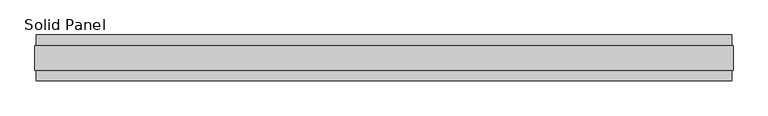
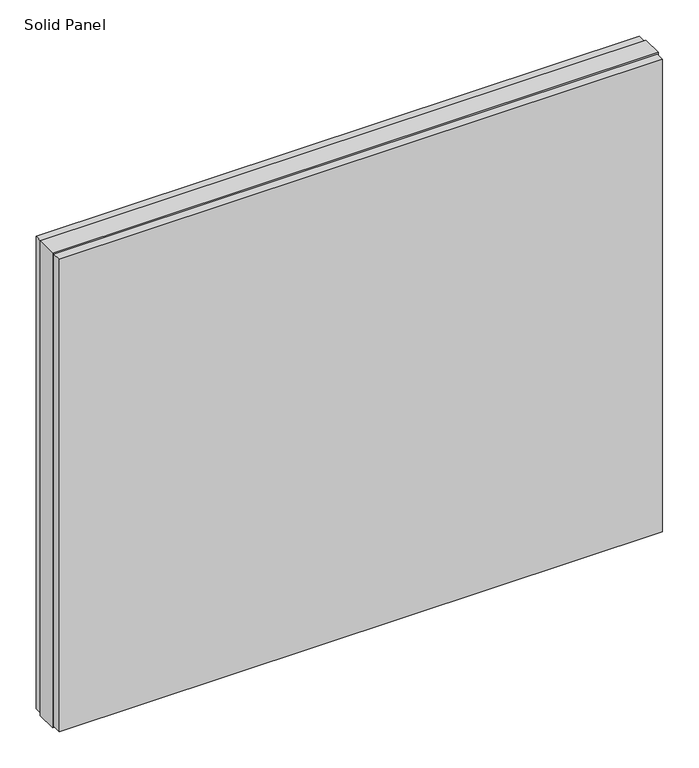
"""IFC4 building model written with IfcOpenShell, lengths in millimetres: plate geometry, Solid Panel."""

from ifc_helpers import new_model, si_unit, frame, origin, origin_with_axes, place, context, project, spatial, polyline, outline, extrude, source, transform, mapped, element, save


def solid_panel_7ccd5a43(model_context):
    return source(origin(), model_context, "Body", "SweptSolid", [
        extrude(outline(polyline([(733.6028, -48.4531867), (-733.6028, -48.4531867), (-733.6028, -25.9961), (733.6028, -25.9961), (733.6028, -48.4531867)])), frame((0.0, 0.0, 3.0099), z_axis=(0.0, 0.0, 1.0), x_axis=(1.0, 0.0, 0.0)), (0.0, 0.0, 1.0), 1213.1802),
        extrude(outline(polyline([(733.6028, 25.9977), (-733.6028, 25.9977), (-733.6028, 48.4547867), (733.6028, 48.4547867), (733.6028, 25.9977)])), frame((0.0, 0.0, 3.0099), z_axis=(0.0, 0.0, 1.0), x_axis=(1.0, 0.0, 0.0)), (0.0, 0.0, 1.0), 1213.1802),
        extrude(outline(polyline([(736.6, -25.9961), (-736.6, -25.9961), (-736.6, 25.9977), (736.6, 25.9977), (736.6, -25.9961)])), origin_with_axes(), (0.0, 0.0, 1.0), 1219.2),
    ])


if __name__ == "__main__":
    model = new_model("IFC4")
    model_context = context("Model", 3, world=origin())
    ifc_project = project(units=[si_unit("LENGTHUNIT", "METRE", prefix="MILLI")], contexts=[model_context])
    site = spatial("IfcSite", under=ifc_project)
    building = spatial("IfcBuilding", under=site)
    placement = place(None, origin())
    solid_panel_shape = solid_panel_7ccd5a43(model_context)
    element("IfcPlate", 1, ObjectType="Solid Panel", at=placement, inside=building, context=model_context, shape_type="MappedRepresentation", body=[
        mapped(solid_panel_shape, transform((0.0, 0.0, 0.0), x_axis=(1.0, 0.0, 0.0), y_axis=(0.0, 1.0, 0.0), z_axis=(0.0, 0.0, 1.0))),
    ])
    save(model, "model.ifc")
